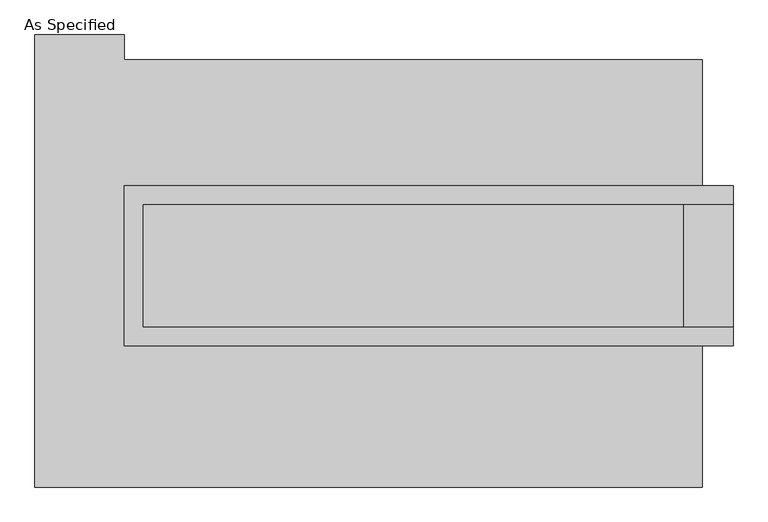
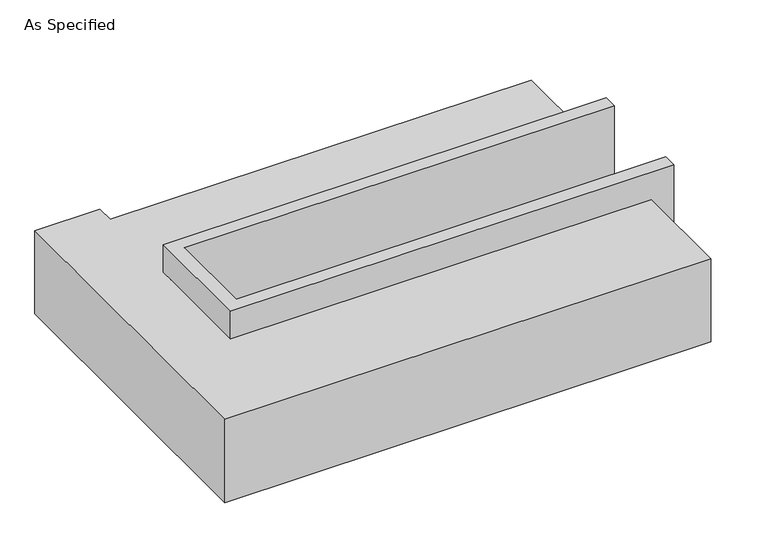
"""IFC4 building model written with IfcOpenShell, lengths in millimetres: proxy geometry, As Specified."""

from ifc_helpers import new_model, si_unit, origin, place, context, project, spatial, faceted_brep, source, transform, mapped, element, save


def as_specified_3991e30e(model_context):
    return source(origin(), model_context, "Body", "Brep", [
        faceted_brep([(-1111.25, 361.95, 139.7), (-1111.25, 361.95, -393.7), (-1111.25, 285.75, -393.7), (-1111.25, 285.75, -25.4), (-1111.25, -222.25, -25.4), (-1111.25, -222.25, -393.7), (-1111.25, -298.45, -393.7), (-1111.25, -298.45, 139.7), (1403.35, 285.75, 139.7), (1403.35, 285.75, -317.5), (1403.35, -222.25, -317.5), (1403.35, -222.25, 139.7), (1403.35, -298.45, 139.7), (1403.35, -298.45, -393.7), (1403.35, 361.95, -393.7), (1403.35, 361.95, 139.7), (-1035.05, -222.25, 139.7), (-1035.05, 285.75, 139.7), (1200.15, -222.25, -393.7), (1200.15, 285.75, -393.7), (1200.15, -222.25, -317.5), (-1035.05, -222.25, -25.4), (1200.15, 285.75, -317.5), (-1035.05, 285.75, -25.4)], [[[0, 1, 2, 3, 4, 5, 6, 7]], [[8, 9, 10, 11, 12, 13, 14, 15]], [[0, 7, 12, 11, 16, 17, 8, 15]], [[1, 0, 15, 14]], [[14, 13, 6, 5, 18, 19, 2, 1]], [[7, 6, 13, 12]], [[11, 10, 20, 18, 5, 4, 21, 16]], [[10, 9, 22, 20]], [[9, 8, 17, 23, 3, 2, 19, 22]], [[18, 20, 22, 19]], [[23, 21, 4, 3]], [[17, 16, 21, 23]]]),
        faceted_brep([(1276.35, -882.65, -523.9742188), (-1479.55, -882.65, -523.9742188), (-1479.55, 984.25, -523.9742188), (-1111.25, 984.25, -523.9742188), (-1111.25, 882.65, -523.9742188), (1276.35, 882.65, -523.9742188), (-1479.55, -882.65, -25.4), (1276.35, -882.65, -25.4), (1276.35, -298.45, -25.4), (-1111.25, -298.45, -25.4), (-1111.25, 361.95, -25.4), (1276.35, 361.95, -25.4), (1276.35, 882.65, -25.4), (-1111.25, 882.65, -25.4), (-1111.25, 984.25, -25.4), (-1479.55, 984.25, -25.4), (1276.35, 361.95, -393.7), (1276.35, -298.45, -393.7), (-1111.25, -298.45, -393.7), (-1111.25, 361.95, -393.7)], [[[0, 1, 2, 3, 4, 5]], [[6, 7, 8, 9, 10, 11, 12, 13, 14, 15]], [[12, 5, 4, 13]], [[2, 1, 6, 15]], [[5, 12, 11, 16, 17, 8, 7, 0]], [[1, 0, 7, 6]], [[18, 19, 10, 9]], [[10, 19, 16, 11]], [[19, 18, 17, 16]], [[18, 9, 8, 17]], [[3, 2, 15, 14]], [[4, 3, 14, 13]]]),
    ])


if __name__ == "__main__":
    model = new_model("IFC4")
    model_context = context("Model", 3, world=origin())
    ifc_project = project(units=[si_unit("LENGTHUNIT", "METRE", prefix="MILLI")], contexts=[model_context])
    site = spatial("IfcSite", under=ifc_project)
    building = spatial("IfcBuilding", under=site)
    placement = place(None, origin())
    as_specified_shape = as_specified_3991e30e(model_context)
    element("IfcBuildingElementProxy", 1, Name="As Specified", ObjectType="As Specified", at=placement, inside=building, context=model_context, shape_type="MappedRepresentation", body=[
        mapped(as_specified_shape, transform((0.0, 0.0, 0.0), x_axis=(1.0, 0.0, 0.0), y_axis=(0.0, 1.0, 0.0), z_axis=(0.0, 0.0, 1.0))),
    ])
    save(model, "model.ifc")
